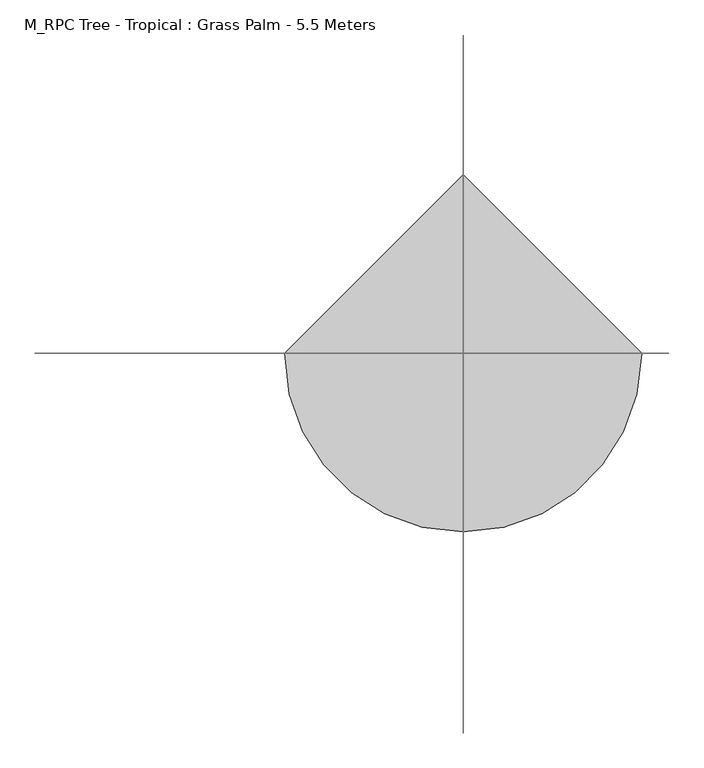
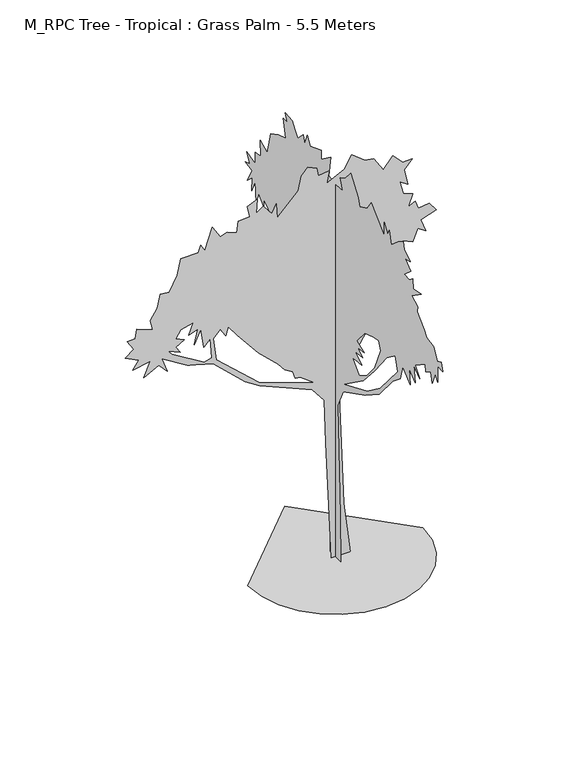
"""IFC4 building model written with IfcOpenShell, lengths in millimetres: geographic element geometry, M_RPC Tree - Tropical : Grass Palm - 5.5 Meters."""

from ifc_helpers import new_model, si_unit, origin, place, context, project, spatial, triangles, source, transform, mapped, element, save


def m_rpc_tree_tropical_grass_palm_5_5_meters_0f61173e(model_context):
    return source(origin(), model_context, "Body", "Tessellation", [
        triangles([(198.5121563, -0.0004669, 0.000137), (109.5820013, -0.0002641, 696.282209), (43.8536913, 0.0002053, 2386.4069527), (410.3796021, 0.0003086, 2969.8983719), (572.0261307, 0.000406, 3417.6646454), (609.3777389, 0.0004587, 3632.4192696), (721.4325634, 0.000452, 3669.7733849), (656.0666405, 0.0004949, 3791.1807999), (749.4469145, 0.0005265, 3959.2618195), (777.4587221, 0.0005019, 3884.5535889), (880.1763622, 0.0005321, 4052.6346085), (1010.9057373, 0.0004946, 3987.2711563), (1076.2717329, 0.0005304, 4155.3521759), (1178.9867569, 0.0004946, 4080.6439453), (1113.6233774, 0.0005527, 4258.0697433), (1319.0559689, 0.0005395, 4323.4331955), (1225.6756222, 0.0005866, 4444.8150307), (1085.6090263, 0.0006027, 4426.1507629), (1042.0062372, 0.0006404, 4540.8870735), (954.8795786, 0.0006402, 4491.5142151), (1010.9057373, 0.0006749, 4650.2504562), (889.3481134, 0.0007069, 4700.3869308), (842.8247177, 0.0007612, 4874.3754387), (945.5397417, 0.0007279, 4808.9864067), (898.8508764, 0.0007933, 5023.7666107), (1001.5685165, 0.0008083, 5135.8289566), (880.1763622, 0.0008266, 5135.8289566), (749.4469145, 0.0008819, 5266.5558609), (628.0548328, 0.0008596, 5117.1393997), (505.3182475, 0.0009317, 5314.2482986), (385.2705606, 0.0009547, 5331.919313), (217.1877242, 0.0010181, 5471.9909958), (114.4714012, 0.000988, 5303.9099762), (-109.6373213, 0.0009913, 5191.8476303), (-81.6239785, 0.0010303, 5350.5838715), (-221.6916826, 0.0010463, 5331.919313), (-240.3675048, 0.0010796, 5443.9816589), (-361.7593503, 0.0011132, 5500.0003326), (-445.7998964, 0.0011005, 5406.6275436), (-483.1515046, 0.0010553, 5219.8569672), (-753.9502007, 0.0010201, 4939.7386002), (-772.6247149, 0.0010762, 5135.8289566), (-828.653417, 0.0010542, 5023.7666107), (-940.7082779, 0.0011092, 5163.8382935), (-1034.0860811, 0.0011055, 5098.4748413), (-1015.4090235, 0.0011535, 5285.2204193), (-1146.140942, 0.001158, 5229.2017456), (-1118.1265909, 0.0011131, 5079.7852844), (-1267.5330963, 0.0011332, 5070.4655045), (-1286.2076832, 0.0010954, 4921.0490433), (-1407.5996922, 0.0011264, 4967.747937), (-1500.9775681, 0.0011329, 4939.7386002), (-1603.6951355, 0.0011941, 5107.8196198), (-1706.4127029, 0.0011309, 4818.3314758), (-1753.1017136, 0.0011633, 4911.7042648), (-1790.4532127, 0.0011436, 4818.3314758), (-2014.5604637, 0.0011774, 4818.3314758), (-2061.249329, 0.0011261, 4603.5768517), (-2163.9668964, 0.0010882, 4407.4609154), (-2285.3590508, 0.0011091, 4416.8059845), (-2322.7106953, 0.0010665, 4239.3798958), (-2416.0885712, 0.0010425, 4099.3337929), (-2382.6964233, 0.0010016, 3967.2572617), (-2593.5117531, 0.0010541, 4043.2895393), (-2612.1760208, 0.0010239, 3921.9077042), (-2714.8935883, 0.0010369, 3912.5629257), (-2630.8658684, 0.0009886, 3781.8360214), (-2742.9029251, 0.0009827, 3697.7827217), (-2565.5024162, 0.0009305, 3604.4099327), (-2640.1853577, 0.0009113, 3492.3475868), (-2416.0885712, 0.0008902, 3539.0464806), (-2500.1287903, 0.0008496, 3342.9564148), (-2304.0361084, 0.0008479, 3445.6739822), (-2191.9813202, 0.000798, 3324.2665672), (-2266.6819931, 0.0008626, 3520.3822128), (-1932.5900311, 0.0007558, 3313.3428154), (-1590.273571, 0.0006787, 3219.8174194), (-1172.1055635, 0.0005081, 2824.7595566), (-982.5363207, 0.0004459, 2701.1877388), (-300.5056764, 0.0002631, 2407.6914093), (-143.5331084, 0.0001855, 2209.3782234), (-126.2243993, 2.09e-05, 1613.6007809), (-53.6101361, -0.0004288, 0.000137), (-1500.9775681, 0.0008979, 3660.4538956), (-1426.2768951, 0.0008562, 3548.3915497), (-1398.2624714, 0.0008824, 3660.4538956), (-1276.8703171, 0.0008209, 3501.6923653), (-1004.3554831, 0.0003611, 3164.2318588), (-746.3927404, 0.0005806, 2912.4030441), (-661.4253977, 0.0005394, 2808.0812141), (-557.8547573, 0.0005067, 2745.340567), (-520.5031128, 0.0004731, 2642.6229996), (-455.1371535, 0.0004607, 2633.2779305), (-268.3816016, 0.0003944, 2493.2088638), (-997.3532215, 0.0005761, 2756.6459816), (-1553.2123158, 0.0007974, 3261.8314247), (-1594.3579147, 0.0008866, 3567.0558174), (-2023.9003006, 0.0008876, 3529.7017021), (-2079.9263866, 0.0009189, 3613.7550018), (-1967.8715984, 0.0009197, 3679.118454), (-2079.9263866, 0.0009519, 3735.136837), (-2014.5604637, 0.00097, 3837.8544044), (-1855.8166649, 0.0009561, 3875.2085197), (-1911.8453671, 0.000924, 3725.8173477), (-1795.9710445, 0.0009167, 3763.5025475), (-1842.3900135, 0.0008704, 3567.2848732), (-1753.1017136, 0.0009076, 3753.8266846), (-1715.750069, 0.0008309, 3492.3475868), (-1631.7095592, 0.0008411, 3576.4008865), (-1612.4492523, 0.0007652, 3307.9445984), (-1712.8319332, 0.0007726, 3279.4007011), (-2135.952618, 0.000907, 3539.0464806), (-2182.6440994, 0.0009293, 3595.0651543), (0.1967722, -126.2945259, 0.0001596), (0.196734, -114.2887362, 634.3486347), (0.1967033, -52.2143547, 2120.548035), (0.1966846, -175.5378682, 2379.5675446), (0.1966095, -673.1974989, 2636.9445671), (0.1965211, -992.9715849, 2843.0418709), (0.1965145, -1302.1785107, 3208.1809204), (0.196489, -1470.9471336, 3342.9564148), (0.1964806, -1526.9732197, 3548.3915497), (0.1964552, -1695.0542393, 3398.9747978), (0.1964594, -1667.0424316, 3604.4099327), (0.1964383, -1807.1091728, 3492.372876), (0.1964439, -1769.7575283, 3716.4725693), (0.1964228, -1909.8242695, 3613.7550018), (0.1964383, -1807.1091728, 3735.136837), (0.1964044, -2031.2188946, 3884.5535889), (0.1964016, -2049.8934814, 3791.1807999), (0.1963861, -2152.6110489, 3847.1994736), (0.1963805, -2189.9600773, 3716.4725693), (0.1963706, -2255.3261456, 3884.5535889), (0.1963607, -2320.6920685, 3809.8450676), (0.1963607, -2320.6920685, 4033.9447609), (0.1963438, -2432.7443859, 4024.6252716), (0.1963495, -2395.3953575, 4136.6623283), (0.1963636, -2302.0150108, 4089.9887238), (0.1963748, -2227.3117218, 4248.7249649), (0.1963988, -2068.5705391, 4276.7340111), (0.1964073, -2012.5418369, 4351.4425323), (0.1963912, -1853.7980381, 4500.8592842), (0.1963898, -1863.1354042, 4575.541935), (0.1964095, -1732.4058838, 4650.2504562), (0.1963771, -1947.175914, 4799.6669174), (0.1964053, -1760.4203075, 4762.3128021), (0.1964067, -1751.0829414, 4893.0397064), (0.196418, -1676.3797977, 4837.0213234), (0.1964349, -1564.3248642, 4846.340522), (0.1964137, -1704.3916054, 4967.747937), (0.1964321, -1583.0019218, 5070.4655045), (0.1964151, -1695.0542393, 5098.4748413), (0.1964363, -1554.9876434, 5182.5028519), (0.1964391, -1536.3105858, 5275.9006393), (0.196456, -1424.2556522, 5210.5371872), (0.19648, -1265.5118534, 5070.4655045), (0.196487, -1218.8229881, 5238.546524), (0.1964927, -1181.4714163, 5163.8382935), (0.1964639, -1106.7706707, 5285.2204193), (0.196504, -1106.7706707, 5098.4748413), (0.1964895, -937.1364029, 5255.9634842), (0.196509, -807.9577326, 5369.2734283), (0.196521, -728.2942812, 5249.9283875), (0.1965471, -555.8361669, 5163.8382935), (0.1965527, -518.4845223, 5266.5558609), (0.1965781, -350.4035028, 5500.0003326), (0.1965964, -229.0103492, 5359.9286499), (0.1966148, -107.618204, 5294.5651978), (0.1966063, -163.6456435, 5145.173735), (0.1966288, -14.2397308, 5135.8289566), (0.1966528, 144.5038522, 5163.8382935), (0.1966472, 107.1527437, 5443.9816589), (0.1966782, 312.5858983, 5294.5651978), (0.1966782, 312.5858983, 5415.9473236), (0.1967163, 564.707464, 5322.5745346), (0.1967261, 630.0734596, 5434.6368805), (0.196736, 695.4368391, 5275.9006393), (0.1967402, 723.4511902, 5378.6182068), (0.1967586, 844.8433445, 5257.2110825), (0.1967684, 910.2093401, 5322.5745346), (0.1967783, 975.5727922, 5425.2921021), (0.1967622, 1134.3165184, 5434.6368805), (0.1967952, 1087.6276531, 5331.919313), (0.1968083, 1174.4359446, 5339.303746), (0.1967995, 1115.6420042, 5098.4748413), (0.1968263, 1293.0603172, 5033.1113892), (0.1968508, 1455.9824947, 4950.7135117), (0.1968629, 1535.8446259, 4640.9053871), (0.1968869, 1694.5882793, 4715.6139084), (0.1968855, 1685.2510586, 4500.8592842), (0.1969038, 1806.6432129, 4482.1694366), (0.1969038, 1806.6432129, 4323.4331955), (0.1969334, 2002.7386562, 4370.1068001), (0.1969223, 1928.9571133, 4250.787339), (0.1969389, 2038.9214767, 4214.579084), (0.1969151, 1881.3465019, 4183.3615128), (0.196932, 1993.4012901, 3987.2711563), (0.1969137, 1872.0091358, 4089.9887238), (0.1969165, 1890.6837227, 3903.2178566), (0.1969038, 1806.6432129, 4080.6439453), (0.196901, 1787.968626, 3800.5002892), (0.1968925, 1731.9399239, 3959.2618195), (0.1968756, 1619.8851357, 3847.1994736), (0.1968756, 1619.8851357, 3949.917041), (0.196869, 1310.8614109, 3745.6530556), (0.1968099, 919.5466335, 3632.4192696), (0.1967908, 792.5526409, 3237.1576401), (0.1967898, 785.995919, 3141.3913925), (0.1967733, 676.7623249, 3072.1575371), (0.1967987, 844.8433445, 2941.4309235), (0.1967817, 732.7884836, 2978.7850388), (0.1968246, 751.4629978, 2782.6946823), (0.1968091, 648.7479738, 2913.4215866), (0.1968063, 630.0734596, 2679.9771149), (0.1968021, 602.0590722, 2782.6946823), (0.1967978, 574.0447211, 2679.9771149), (0.1967908, 527.3558195, 2848.0581345), (0.1967866, 499.3414684, 2689.2966042), (0.1967837, 480.6669542, 2614.6136627), (0.1967781, 443.3153097, 2745.340567), (0.1967682, 377.9493505, 2661.2872673), (0.1967491, 251.276432, 2499.1212936), (0.1966956, 162.3905602, 2114.1747322), (0.1967682, 112.1317639, 1064.5480299), (0.1968089, 116.4897555, 0.0001162), (0.1965757, -631.608831, 2807.9538963), (0.196537, -888.1940414, 3104.5465485), (0.1964954, -1163.6294821, 3449.6205437), (0.1964659, -1358.8922001, 3595.0651543), (0.1964574, -1414.9184315, 3408.3195763), (0.1965169, -1021.2762526, 2939.164492), (0.1965619, -722.832478, 2719.5465019), (0.1966421, -191.6594859, 2493.2088638), (0.1966027, -453.1185631, 2988.104528), (0.1965815, -593.187775, 2997.4493065), (0.1966027, -453.1185631, 3100.1668739), (0.1965773, -621.2021261, 3118.8567215), (0.1965942, -509.0072302, 3191.7316338), (0.1965716, -658.5512272, 3212.2295105), (0.196597, -490.4701713, 3277.5929626), (0.1965705, -666.1620998, 3486.8985008), (0.1965392, -873.3236555, 3557.7363281), (0.1965223, -985.3785164, 3576.4008865), (0.1965161, -1026.231328, 3465.2294746), (0.1965365, -891.2878206, 3143.9121689), (0.1965617, -724.2889297, 2942.0163528), (0.19659, -537.1590729, 2820.0235085), (0.1966111, -397.0924044, 2978.7850388), (-1142.7569189, 0.0, 0.000137), (-1112.5425568, -261.8891381, 0.0001838), (-1026.4879257, -502.3944798, 0.0002268), (-891.4833029, -714.6206245, 0.0002648), (-714.4239796, -891.6799479, 0.0002965), (-502.195255, -1026.6845707, 0.0), (-261.692475, -1112.7392017, 1.54e-05), (0.1967389, -1142.9535639, 2.08e-05), (262.0858013, -1112.7392017, 1.54e-05), (502.5911611, -1026.6845707, 0.0), (714.8172695, -891.6799479, 0.0002965), (891.8765928, -714.6206245, 0.0002648), (1026.8812157, -502.3919363, 0.0002268), (1112.9358467, -261.8891381, 0.0001838), (1143.1502089, 9.99e-05, 0.000137), (0.1965231, 1142.9535639, 0.0002532)], [[95, 110, 96], [86, 3, 87], [87, 3, 88], [88, 3, 89], [106, 105, 107], [89, 3, 90], [90, 3, 91], [74, 73, 75], [42, 41, 43], [14, 13, 15], [98, 113, 99], [72, 71, 73], [96, 110, 97], [110, 109, 97], [70, 69, 71], [24, 23, 25], [26, 25, 27], [85, 84, 86], [55, 54, 56], [53, 52, 54], [104, 103, 105], [10, 9, 11], [108, 107, 109], [100, 99, 101], [46, 45, 47], [47, 45, 48], [66, 65, 67], [68, 67, 69], [16, 15, 17], [17, 15, 18], [35, 34, 36], [73, 71, 75], [64, 63, 65], [7, 6, 8], [3, 86, 4], [19, 18, 20], [32, 31, 33], [1, 83, 2], [83, 82, 2], [2, 82, 3], [82, 81, 3], [28, 27, 29], [12, 11, 13], [81, 80, 3], [4, 86, 5], [5, 86, 6], [21, 20, 22], [44, 43, 45], [27, 25, 29], [25, 23, 29], [60, 59, 61], [99, 113, 101], [49, 48, 50], [57, 56, 58], [6, 86, 8], [38, 37, 39], [37, 36, 39], [39, 36, 40], [36, 34, 40], [65, 63, 67], [67, 63, 69], [69, 63, 71], [71, 63, 75], [92, 91, 93], [91, 3, 93], [93, 3, 94], [3, 80, 94], [80, 79, 94], [94, 79, 95], [79, 78, 95], [95, 78, 110], [78, 77, 110], [110, 77, 111], [77, 76, 111], [111, 76, 112], [76, 75, 112], [112, 75, 113], [75, 63, 113], [113, 63, 101], [101, 63, 102], [97, 109, 84], [109, 107, 84], [8, 86, 9], [63, 62, 102], [62, 61, 102], [61, 59, 102], [102, 59, 103], [59, 58, 103], [58, 56, 103], [56, 54, 103], [18, 15, 20], [15, 13, 20], [13, 11, 20], [54, 52, 103], [52, 51, 103], [51, 50, 103], [103, 50, 105], [105, 50, 107], [107, 50, 84], [84, 50, 86], [86, 50, 9], [50, 48, 9], [48, 45, 9], [40, 34, 41], [30, 29, 31], [31, 29, 33], [33, 29, 34], [11, 9, 20], [29, 23, 34], [23, 22, 34], [34, 22, 41], [22, 20, 41], [20, 9, 41], [9, 45, 41], [45, 43, 41], [226, 245, 246], [245, 226, 227], [233, 116, 117], [126, 127, 128], [209, 210, 211], [198, 199, 200], [213, 214, 215], [196, 197, 198], [226, 246, 247], [200, 201, 202], [144, 145, 146], [238, 239, 240], [194, 195, 196], [218, 219, 220], [215, 216, 217], [158, 159, 160], [211, 212, 213], [245, 227, 228], [244, 245, 228], [131, 132, 133], [236, 237, 238], [234, 235, 236], [122, 123, 124], [133, 134, 135], [124, 125, 126], [156, 157, 158], [233, 226, 247], [192, 193, 194], [202, 203, 204], [151, 152, 153], [171, 172, 173], [175, 176, 177], [233, 117, 118], [232, 233, 118], [232, 118, 119], [231, 232, 119], [231, 119, 120], [230, 231, 120], [230, 120, 121], [217, 218, 220], [230, 121, 122], [229, 230, 122], [146, 147, 148], [177, 178, 179], [181, 182, 183], [188, 189, 190], [135, 136, 137], [135, 137, 138], [213, 215, 217], [173, 174, 175], [153, 154, 155], [183, 184, 185], [129, 130, 131], [165, 166, 167], [149, 150, 151], [161, 162, 163], [180, 181, 183], [192, 194, 196], [225, 114, 115], [224, 225, 115], [224, 115, 116], [223, 224, 116], [156, 158, 160], [233, 247, 248], [180, 183, 185], [179, 180, 185], [209, 211, 213], [167, 168, 169], [165, 167, 169], [164, 165, 169], [190, 191, 192], [248, 234, 236], [222, 223, 116], [222, 116, 233], [196, 198, 200], [222, 233, 248], [221, 222, 248], [220, 221, 248], [142, 143, 144], [217, 220, 248], [192, 196, 200], [151, 153, 155], [151, 155, 156], [149, 151, 156], [243, 244, 228], [243, 228, 229], [144, 146, 148], [144, 148, 149], [217, 248, 236], [138, 139, 140], [207, 208, 209], [200, 202, 204], [192, 200, 204], [190, 192, 204], [188, 190, 204], [188, 204, 205], [188, 205, 206], [209, 213, 217], [209, 217, 236], [209, 236, 238], [209, 238, 240], [207, 209, 240], [206, 207, 240], [206, 240, 241], [188, 206, 241], [187, 188, 241], [186, 187, 241], [185, 186, 241], [179, 185, 241], [177, 179, 241], [175, 177, 241], [173, 175, 241], [171, 173, 241], [170, 171, 241], [169, 170, 241], [164, 169, 241], [164, 241, 242], [164, 242, 243], [163, 164, 243], [161, 163, 243], [160, 161, 243], [160, 243, 229], [156, 160, 229], [149, 156, 229], [144, 149, 229], [142, 144, 229], [141, 142, 229], [141, 229, 122], [141, 122, 124], [141, 124, 126], [141, 126, 128], [141, 128, 129], [140, 141, 129], [138, 140, 129], [138, 129, 131], [138, 131, 133], [138, 133, 135], [263, 264, 249], [262, 263, 249], [262, 249, 250], [261, 262, 250], [261, 250, 251], [261, 251, 252], [260, 261, 252], [259, 260, 252], [259, 252, 253], [259, 253, 254], [259, 254, 255], [259, 255, 256], [259, 256, 257], [259, 257, 258]], closed=False),
    ])


if __name__ == "__main__":
    model = new_model("IFC4")
    model_context = context("Model", 3, world=origin())
    ifc_project = project(units=[si_unit("LENGTHUNIT", "METRE", prefix="MILLI")], contexts=[model_context])
    site = spatial("IfcSite", under=ifc_project)
    building = spatial("IfcBuilding", under=site)
    placement = place(None, origin())
    m_rpc_tree_tropical_grass_palm_5_5_meters_shape = m_rpc_tree_tropical_grass_palm_5_5_meters_0f61173e(model_context)
    element("IfcGeographicElement", 1, ObjectType="M_RPC Tree - Tropical : Grass Palm - 5.5 Meters", at=placement, inside=building, context=model_context, shape_type="MappedRepresentation", body=[
        mapped(m_rpc_tree_tropical_grass_palm_5_5_meters_shape, transform((0.0, 0.0, 0.0), x_axis=(1.0, 0.0, 0.0), y_axis=(0.0, 1.0, 0.0), z_axis=(0.0, 0.0, 1.0))),
    ])
    save(model, "model.ifc")
